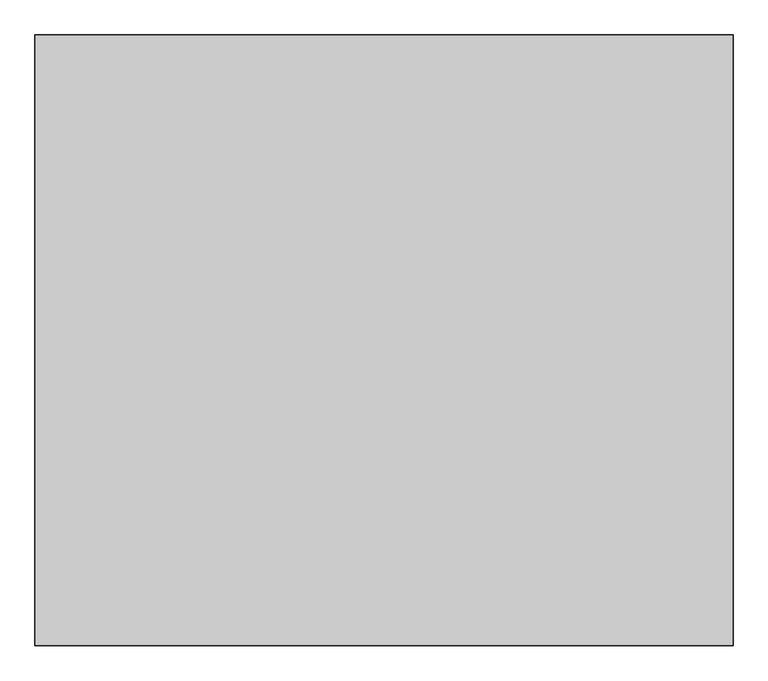
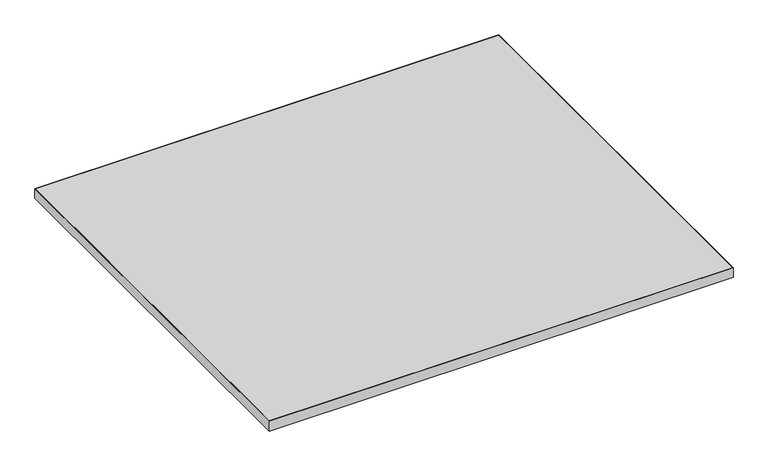
"""IFC4 building model written with IfcOpenShell, lengths in millimetres: furniture geometry."""

from ifc_helpers import new_model, si_unit, frame, origin, place, context, project, spatial, polyline, outline, extrude, source, transform, mapped, element, save


def furniture_22b02b4a(model_context):
    return source(origin(), model_context, "Body", "SweptSolid", [
        extrude(outline(polyline([(1218.184, 1065.784), (1218.184, 1.016), (1.016, 1.016), (1.016, 1065.784), (1218.184, 1065.784)])), frame((0.0, 0.0, 697.2297529), z_axis=(0.0, 0.0, 1.0), x_axis=(1.0, 0.0, 0.0)), (0.0, 0.0, 1.0), 26.924),
        extrude(outline(polyline([(1219.2, 0.0), (0.0, 0.0), (0.0, 1066.8), (1219.2, 1066.8), (1219.2, 0.0)]), holes=[polyline([(1218.184, 1065.784), (1.016, 1065.784), (1.016, 1.016), (1218.184, 1.016), (1218.184, 1065.784)])]), frame((0.0, 0.0, 697.2297529), z_axis=(0.0, 0.0, 1.0), x_axis=(1.0, 0.0, 0.0)), (0.0, 0.0, 1.0), 26.924),
    ])


if __name__ == "__main__":
    model = new_model("IFC4")
    model_context = context("Model", 3, world=origin())
    ifc_project = project(units=[si_unit("LENGTHUNIT", "METRE", prefix="MILLI")], contexts=[model_context])
    site = spatial("IfcSite", under=ifc_project)
    building = spatial("IfcBuilding", under=site)
    placement = place(None, origin())
    furniture_shape = furniture_22b02b4a(model_context)
    element("IfcFurniture", 1, at=placement, inside=building, context=model_context, shape_type="MappedRepresentation", body=[
        mapped(furniture_shape, transform((0.0, 0.0, 0.0), x_axis=(1.0, 0.0, 0.0), y_axis=(0.0, 1.0, 0.0), z_axis=(0.0, 0.0, 1.0))),
    ])
    save(model, "model.ifc")
